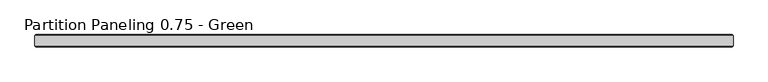
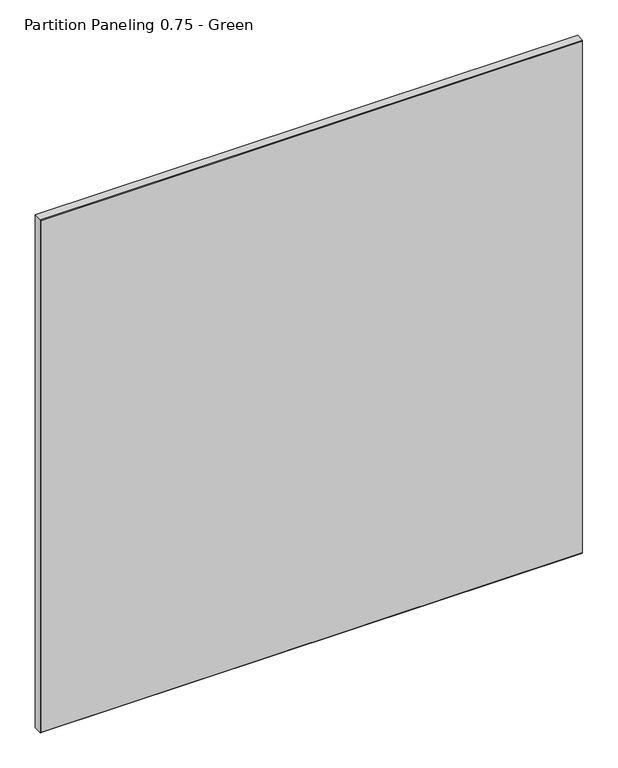
"""IFC4 building model written with IfcOpenShell, lengths in millimetres: proxy geometry, Partition Paneling 0.75 - Green."""

from ifc_helpers import new_model, si_unit, origin, place, context, project, spatial, faceted_brep, source, transform, mapped, element, save


def partition_paneling_0_75_green_a7befd5e(model_context):
    return source(origin(), model_context, "Body", "Brep", [
        faceted_brep([(0.0, 17.4625, 1066.8), (0.0, 1.5875, 1066.8), (1066.8, 1.5875, 1066.8), (1066.8, 17.4625, 1066.8), (1066.8, 17.4625, 0.0), (1066.8, 1.5875, 0.0), (0.0, 1.5875, 0.0), (0.0, 17.4625, 0.0), (1065.2125, 19.05, 1065.2125), (1065.2125, 19.05, 1.5875), (1.5875, 19.05, 1.5875), (1.5875, 19.05, 1065.2125), (1.5875, 0.0, 1065.2125), (1.5875, 0.0, 1.5875), (1065.2125, 0.0, 1.5875), (1065.2125, 0.0, 1065.2125)], [[[0, 1, 2, 3]], [[4, 5, 6, 7]], [[8, 9, 10, 11]], [[1, 0, 7, 6]], [[12, 13, 14, 15]], [[3, 2, 5, 4]], [[1, 6, 13, 12]], [[5, 2, 15, 14]], [[2, 1, 12, 15]], [[6, 5, 14, 13]], [[7, 0, 11, 10]], [[3, 4, 9, 8]], [[0, 3, 8, 11]], [[4, 7, 10, 9]]]),
    ])


if __name__ == "__main__":
    model = new_model("IFC4")
    model_context = context("Model", 3, world=origin())
    ifc_project = project(units=[si_unit("LENGTHUNIT", "METRE", prefix="MILLI")], contexts=[model_context])
    site = spatial("IfcSite", under=ifc_project)
    building = spatial("IfcBuilding", under=site)
    placement = place(None, origin())
    partition_paneling_0_75_green_shape = partition_paneling_0_75_green_a7befd5e(model_context)
    element("IfcBuildingElementProxy", 1, Name="Partition Paneling 0.75 - Green", ObjectType="Partition Paneling 0.75 - Green", at=placement, inside=building, context=model_context, shape_type="MappedRepresentation", body=[
        mapped(partition_paneling_0_75_green_shape, transform((0.0, 0.0, 0.0), x_axis=(1.0, 0.0, 0.0), y_axis=(0.0, 1.0, 0.0), z_axis=(0.0, 0.0, 1.0))),
    ])
    save(model, "model.ifc")
